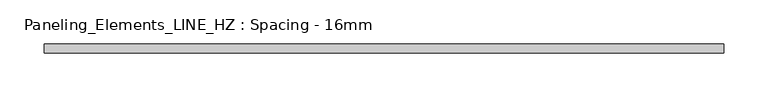
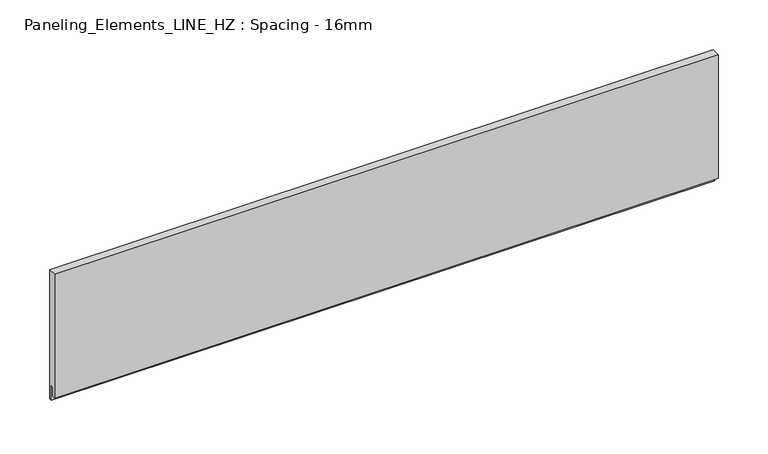
"""IFC4 building model written with IfcOpenShell, lengths in millimetres: plate geometry, Paneling_Elements_LINE_HZ : Spacing - 16mm."""

from ifc_helpers import new_model, si_unit, frame, origin, place, context, project, spatial, polyline, outline, extrude, source, transform, mapped, element, save


def paneling_elements_line_hz_spacing_16mm_766613db(model_context):
    return source(origin(), model_context, "Body", "SweptSolid", [
        extrude(outline(polyline([(5.0, 151.0), (5.0, -7.0), (2.0, -7.0), (2.0, 11.0), (-1.0, 11.0), (-1.0, 0.0), (-5.0, 0.0), (-5.0, 151.0), (5.0, 151.0)])), frame((-383.4, 0.0, 0.0), z_axis=(1.0, 0.0, 0.0), x_axis=(0.0, 1.0, 0.0)), (0.0, 0.0, 1.0), 766.8),
    ])


if __name__ == "__main__":
    model = new_model("IFC4")
    model_context = context("Model", 3, world=origin())
    ifc_project = project(units=[si_unit("LENGTHUNIT", "METRE", prefix="MILLI")], contexts=[model_context])
    site = spatial("IfcSite", under=ifc_project)
    building = spatial("IfcBuilding", under=site)
    placement = place(None, origin())
    paneling_elements_line_hz_spacing_16mm_shape = paneling_elements_line_hz_spacing_16mm_766613db(model_context)
    element("IfcPlate", 1, ObjectType="Paneling_Elements_LINE_HZ : Spacing - 16mm", at=placement, inside=building, context=model_context, shape_type="MappedRepresentation", body=[
        mapped(paneling_elements_line_hz_spacing_16mm_shape, transform((0.0, 0.0, 0.0), x_axis=(1.0, 0.0, 0.0), y_axis=(0.0, 1.0, 0.0), z_axis=(0.0, 0.0, 1.0))),
    ])
    save(model, "model.ifc")
